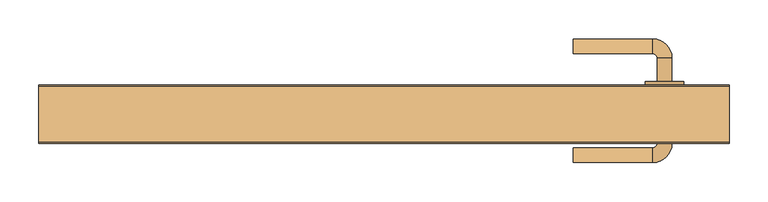
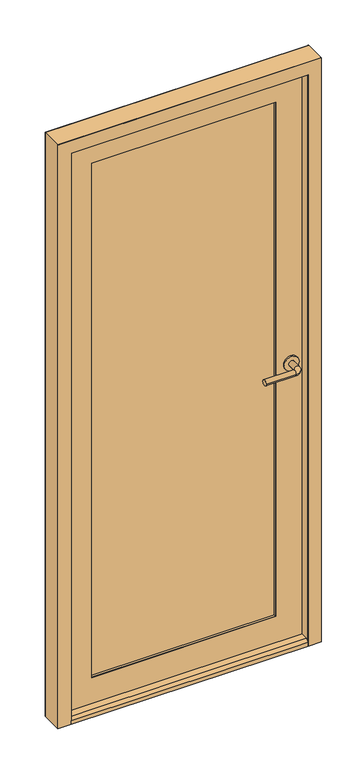
"""IFC4 building model written with IfcOpenShell, lengths in millimetres: door geometry."""

from ifc_helpers import new_model, si_unit, point, frame, frame_2d, origin, place, context, project, spatial, polyline, circle_curve, ellipse_curve, trimmed, segment, composite_curve, outline, extrude, faceted_brep, source, transform, mapped, element, save
from ifc_brep_helpers import plane_surface, cylinder_surface, revolved_surface, advanced_brep


def door_b780134c(model_context):
    return source(origin(), model_context, "Body", "SolidModel", [
        faceted_brep([(410.0, 75.0, 12.0), (410.0, 35.0, 12.0), (398.0, 35.0, 12.0), (398.0, 0.0, 12.0), (-398.0, 0.0, 12.0), (-398.0, 35.0, 12.0), (-410.0, 35.0, 12.0), (-410.0, 75.0, 12.0), (398.0, 0.0, 26.0), (-398.0, 0.0, 26.0), (398.0, 10.0, 34.0), (-398.0, 10.0, 34.0), (398.0, 35.0, 34.0), (-398.0, 35.0, 34.0), (398.0, 35.0, 26.0), (-398.0, 35.0, 26.0), (410.0, 35.0, 26.0), (410.0, 75.0, 26.0), (-410.0, 75.0, 26.0), (-410.0, 35.0, 26.0)], [[[0, 1, 2, 3, 4, 5, 6, 7]], [[3, 8, 9, 4]], [[8, 10, 11, 9]], [[10, 12, 13, 11]], [[12, 14, 15, 13]], [[16, 17, 18, 19, 15, 14]], [[17, 0, 7, 18]], [[16, 1, 0, 17]], [[1, 16, 14, 2]], [[2, 14, 12, 10, 8, 3]], [[15, 5, 4, 9, 11, 13]], [[5, 15, 19, 6]], [[6, 19, 18, 7]]]),
        advanced_brep(
        [(369.6211583, 75.0, 1012.0), (350.6211583, 75.0, 1012.0), (369.6211583, 110.0, 1012.0), (350.6211583, 110.0, 1012.0), (345.1211583, 115.5, 1012.0), (345.1211583, 134.5, 1012.0), (243.1211583, 134.5, 1012.0), (243.1211583, 115.5, 1012.0)],
        [
            (0, 1, circle_curve(frame((360.1211583, 75.0, 1012.0), z_axis=(0.0, -1.0, 0.0), x_axis=(-1.0, 0.0, 0.0)), 9.5)),
            (1, 0, circle_curve(frame((360.1211583, 75.0, 1012.0), z_axis=(0.0, -1.0, 0.0), x_axis=(-1.0, 0.0, 0.0)), 9.5)),
            (0, 2),
            (2, 3, circle_curve(frame((360.1211583, 110.0, 1012.0), z_axis=(0.0, -1.0, 0.0), x_axis=(-1.0, 0.0, 0.0)), 9.5)),
            (3, 1),
            (3, 2, circle_curve(frame((360.1211583, 110.0, 1012.0), z_axis=(0.0, -1.0, 0.0), x_axis=(-1.0, 0.0, 0.0)), 9.5)),
            (4, 3, circle_curve(frame((345.1211583, 110.0, 1012.0), z_axis=(0.0, 0.0, -1.0), x_axis=(1.0, 0.0, 0.0)), 5.5)),
            (2, 5, circle_curve(frame((345.1211583, 110.0, 1012.0), z_axis=(0.0, 0.0, 1.0), x_axis=(1.0, 0.0, 0.0)), 24.5)),
            (5, 4, circle_curve(frame((345.1211583, 125.0, 1012.0), z_axis=(1.0, 0.0, 0.0), x_axis=(0.0, -1.0, 0.0)), 9.5)),
            (4, 5, circle_curve(frame((345.1211583, 125.0, 1012.0), z_axis=(1.0, 0.0, 0.0), x_axis=(0.0, -1.0, 0.0)), 9.5)),
            (6, 7, circle_curve(frame((243.1211583, 125.0, 1012.0), z_axis=(-1.0, 0.0, 0.0), x_axis=(0.0, -1.0, 0.0)), 9.5)),
            (7, 6, circle_curve(frame((243.1211583, 125.0, 1012.0), z_axis=(-1.0, 0.0, 0.0), x_axis=(0.0, -1.0, 0.0)), 9.5)),
            (5, 6),
            (7, 4),
        ],
        [
            plane_surface(frame((360.1211583, 75.0, 12.0), z_axis=(0.0, -1.0, 0.0), x_axis=(0.0, 0.0, -1.0))),
            cylinder_surface(frame((360.1211583, 75.0, 1012.0), z_axis=(0.0, -1.0, 0.0), x_axis=(-1.0, 0.0, 0.0)), 9.5),
            revolved_surface(trimmed(ellipse_curve(frame((360.1211583, 110.0, 1012.0), z_axis=(0.0, -1.0, 0.0), x_axis=(-1.0, 0.0, 0.0)), 9.5, 9.5), [point((369.6211583, 110.0, 1012.0))], [point((350.6211583, 110.0, 1012.0))], True, "CARTESIAN"), (345.1211583, 110.0, 12.0), (0.0, 0.0, 1.0)),
            revolved_surface(trimmed(ellipse_curve(frame((360.1211583, 110.0, 1012.0), z_axis=(0.0, -1.0, 0.0), x_axis=(-1.0, 0.0, 0.0)), 9.5, 9.5), [point((350.6211583, 110.0, 1012.0))], [point((369.6211583, 110.0, 1012.0))], True, "CARTESIAN"), (345.1211583, 110.0, 12.0), (0.0, 0.0, 1.0)),
            plane_surface(frame((243.1211583, 125.0, 12.0), z_axis=(-1.0, 0.0, 0.0), x_axis=(0.0, 0.0, -1.0))),
            cylinder_surface(frame((345.1211583, 125.0, 1012.0), z_axis=(1.0, 0.0, 0.0), x_axis=(0.0, -1.0, 0.0)), 9.5),
        ],
        [
            (0, [[1, 2]]),
            (1, [[-1, 3, 4, 5]]),
            (1, [[-2, -5, 6, -3]]),
            (2, [[7, -4, 8, 9]]),
            (3, [[-8, -6, -7, 10]]),
            (4, [[11, 12]]),
            (5, [[-9, 13, -12, 14]]),
            (5, [[-10, -14, -11, -13]]),
        ],
    ),
        extrude(outline(composite_curve([segment(trimmed(circle_curve(frame_2d((1012.0, 360.1211583)), 25.0), [point((1012.0, 385.1211583))], [point((1012.0, 335.1211583))], False, "CARTESIAN"), True, "CONTINUOUS"), segment(trimmed(circle_curve(frame_2d((1012.0, 360.1211583)), 25.0), [point((1012.0, 335.1211583))], [point((1012.0, 385.1211583))], False, "CARTESIAN"), True, "CONTINUOUS")], self_intersect=False), holes=[composite_curve([segment(trimmed(circle_curve(frame_2d((1012.0, 360.1211583)), 9.5), [point((1012.0, 369.6211583))], [point((1012.0, 350.6211583))], True, "CARTESIAN"), True, "CONTINUOUS"), segment(trimmed(circle_curve(frame_2d((1012.0, 360.1211583)), 9.5), [point((1012.0, 350.6211583))], [point((1012.0, 369.6211583))], True, "CARTESIAN"), True, "CONTINUOUS")], self_intersect=False)]), frame((0.0, 75.0, 0.0), z_axis=(0.0, 1.0, 0.0), x_axis=(0.0, 0.0, 1.0)), (0.0, 0.0, 1.0), 5.0),
        advanced_brep(
        [(369.6211583, 35.0, 1012.0), (350.6211583, 35.0, 1012.0), (350.6211583, 0.0, 1012.0), (369.6211583, 0.0, 1012.0), (345.1211583, -5.5, 1012.0), (345.1211583, -24.5, 1012.0), (243.1211583, -24.5, 1012.0), (243.1211583, -5.5, 1012.0)],
        [
            (0, 1, circle_curve(frame((360.1211583, 35.0, 1012.0), z_axis=(0.0, 1.0, 0.0), x_axis=(-1.0, 0.0, 0.0)), 9.5)),
            (1, 0, circle_curve(frame((360.1211583, 35.0, 1012.0), z_axis=(0.0, 1.0, 0.0), x_axis=(-1.0, 0.0, 0.0)), 9.5)),
            (1, 2),
            (2, 3, circle_curve(frame((360.1211583, 0.0, 1012.0), z_axis=(0.0, 1.0, 0.0), x_axis=(-1.0, 0.0, 0.0)), 9.5)),
            (3, 0),
            (3, 2, circle_curve(frame((360.1211583, 0.0, 1012.0), z_axis=(0.0, 1.0, 0.0), x_axis=(-1.0, 0.0, 0.0)), 9.5)),
            (4, 5, circle_curve(frame((345.1211583, -15.0, 1012.0), z_axis=(1.0, 0.0, 0.0), x_axis=(0.0, 1.0, 0.0)), 9.5)),
            (5, 3, circle_curve(frame((345.1211583, 0.0, 1012.0), z_axis=(0.0, 0.0, 1.0), x_axis=(1.0, 0.0, 0.0)), 24.5)),
            (2, 4, circle_curve(frame((345.1211583, 0.0, 1012.0), z_axis=(0.0, 0.0, -1.0), x_axis=(1.0, 0.0, 0.0)), 5.5)),
            (5, 4, circle_curve(frame((345.1211583, -15.0, 1012.0), z_axis=(1.0, 0.0, 0.0), x_axis=(0.0, 1.0, 0.0)), 9.5)),
            (6, 7, circle_curve(frame((243.1211583, -15.0, 1012.0), z_axis=(-1.0, 0.0, 0.0), x_axis=(0.0, 1.0, 0.0)), 9.5)),
            (7, 6, circle_curve(frame((243.1211583, -15.0, 1012.0), z_axis=(-1.0, 0.0, 0.0), x_axis=(0.0, 1.0, 0.0)), 9.5)),
            (4, 7),
            (6, 5),
        ],
        [
            plane_surface(frame((360.1211583, 35.0, 12.0), z_axis=(0.0, 1.0, 0.0), x_axis=(0.0, 0.0, -1.0))),
            cylinder_surface(frame((360.1211583, 35.0, 1012.0), z_axis=(0.0, 1.0, 0.0), x_axis=(-1.0, 0.0, 0.0)), 9.5),
            revolved_surface(trimmed(ellipse_curve(frame((360.1211583, 0.0, 1012.0), z_axis=(0.0, -1.0, 0.0), x_axis=(-1.0, 0.0, 0.0)), 9.5, 9.5), [point((369.6211583, 0.0, 1012.0))], [point((350.6211583, 0.0, 1012.0))], True, "CARTESIAN"), (345.1211583, 0.0, 12.0), (0.0, 0.0, 1.0)),
            revolved_surface(trimmed(ellipse_curve(frame((360.1211583, 0.0, 1012.0), z_axis=(0.0, -1.0, 0.0), x_axis=(-1.0, 0.0, 0.0)), 9.5, 9.5), [point((350.6211583, 0.0, 1012.0))], [point((369.6211583, 0.0, 1012.0))], True, "CARTESIAN"), (345.1211583, 0.0, 12.0), (0.0, 0.0, 1.0)),
            plane_surface(frame((243.1211583, -15.0, 12.0), z_axis=(-1.0, 0.0, 0.0), x_axis=(0.0, 0.0, -1.0))),
            cylinder_surface(frame((345.1211583, -15.0, 1012.0), z_axis=(1.0, 0.0, 0.0), x_axis=(0.0, 1.0, 0.0)), 9.5),
        ],
        [
            (0, [[1, 2]]),
            (1, [[3, 4, 5, -2]]),
            (1, [[-5, 6, -3, -1]]),
            (2, [[7, 8, -4, 9]]),
            (3, [[10, -9, -6, -8]]),
            (4, [[11, 12]]),
            (5, [[13, -11, 14, -7]]),
            (5, [[-14, -12, -13, -10]]),
        ],
    ),
        extrude(outline(composite_curve([segment(trimmed(circle_curve(frame_2d((1012.0, 360.1211583)), 25.0), [point((1012.0, 385.1211583))], [point((1012.0, 335.1211583))], False, "CARTESIAN"), True, "CONTINUOUS"), segment(trimmed(circle_curve(frame_2d((1012.0, 360.1211583)), 25.0), [point((1012.0, 335.1211583))], [point((1012.0, 385.1211583))], False, "CARTESIAN"), True, "CONTINUOUS")], self_intersect=False), holes=[composite_curve([segment(trimmed(circle_curve(frame_2d((1012.0, 360.1211583)), 9.5), [point((1012.0, 369.6211583))], [point((1012.0, 350.6211583))], True, "CARTESIAN"), True, "CONTINUOUS"), segment(trimmed(circle_curve(frame_2d((1012.0, 360.1211583)), 9.5), [point((1012.0, 350.6211583))], [point((1012.0, 369.6211583))], True, "CARTESIAN"), True, "CONTINUOUS")], self_intersect=False)]), frame((0.0, 30.0, 0.0), z_axis=(0.0, 1.0, 0.0), x_axis=(0.0, 0.0, 1.0)), (0.0, 0.0, 1.0), 5.0),
        extrude(outline(polyline([(2055.0, -410.0), (27.0, -410.0), (27.0, 410.0), (2055.0, 410.0), (2055.0, -410.0)]), holes=[polyline([(1955.0, -310.0), (1955.0, 310.0), (127.0, 310.0), (127.0, -310.0), (1955.0, -310.0)])]), frame((0.0, 74.0, 0.0), z_axis=(0.0, 1.0, 0.0), x_axis=(0.0, 0.0, 1.0)), (0.0, 0.0, 1.0), 1.0),
        extrude(outline(polyline([(2055.0, 410.0), (2055.0, -410.0), (27.0, -410.0), (27.0, 410.0), (2055.0, 410.0)]), holes=[polyline([(1955.0, -310.0), (1955.0, 310.0), (127.0, 310.0), (127.0, -310.0), (1955.0, -310.0)])]), frame((0.0, 35.0, 0.0), z_axis=(0.0, 1.0, 0.0), x_axis=(0.0, 0.0, 1.0)), (0.0, 0.0, 1.0), 1.0),
        extrude(outline(polyline([(-310.0, 65.0), (310.0, 65.0), (310.0, 45.0), (-310.0, 45.0), (-310.0, 65.0)])), frame((0.0, 0.0, 127.0), z_axis=(0.0, 0.0, 1.0), x_axis=(1.0, 0.0, 0.0)), (0.0, 0.0, 1.0), 1828.0),
        extrude(outline(polyline([(2055.0, 410.0), (2055.0, -410.0), (27.0, -410.0), (27.0, 410.0), (2055.0, 410.0)]), holes=[polyline([(127.0, 310.0), (127.0, -310.0), (1955.0, -310.0), (1955.0, 310.0), (127.0, 310.0)])]), frame((0.0, 36.0, 0.0), z_axis=(0.0, 1.0, 0.0), x_axis=(0.0, 0.0, 1.0)), (0.0, 0.0, 1.0), 38.0),
        extrude(outline(polyline([(2088.0, 443.0), (2088.0, -443.0), (12.0, -443.0), (12.0, -410.0), (2055.0, -410.0), (2055.0, 410.0), (12.0, 410.0), (12.0, 443.0), (2088.0, 443.0)])), frame((0.0, 74.0, 0.0), z_axis=(0.0, 1.0, 0.0), x_axis=(0.0, 0.0, 1.0)), (0.0, 0.0, 1.0), 1.0),
        extrude(outline(polyline([(2088.0, -443.0), (12.0, -443.0), (12.0, -398.0), (2043.0, -398.0), (2043.0, 398.0), (12.0, 398.0), (12.0, 443.0), (2088.0, 443.0), (2088.0, -443.0)])), frame((0.0, 0.0, 0.0), z_axis=(0.0, 1.0, 0.0), x_axis=(0.0, 0.0, 1.0)), (0.0, 0.0, 1.0), 1.0),
        faceted_brep([(410.0, 74.0, 12.0), (443.0, 74.0, 12.0), (443.0, 1.0, 12.0), (398.0, 1.0, 12.0), (398.0, 35.0, 12.0), (410.0, 35.0, 12.0), (410.0, 74.0, 2055.0), (-410.0, 74.0, 2055.0), (-410.0, 74.0, 12.0), (-443.0, 74.0, 12.0), (-443.0, 74.0, 2088.0), (443.0, 74.0, 2088.0), (443.0, 1.0, 2088.0), (-443.0, 1.0, 2088.0), (-443.0, 1.0, 12.0), (-398.0, 1.0, 12.0), (-398.0, 1.0, 2043.0), (398.0, 1.0, 2043.0), (398.0, 35.0, 2043.0), (-398.0, 35.0, 2043.0), (-398.0, 35.0, 12.0), (-410.0, 35.0, 12.0), (-410.0, 35.0, 2055.0), (410.0, 35.0, 2055.0)], [[[0, 1, 2, 3, 4, 5]], [[1, 0, 6, 7, 8, 9, 10, 11]], [[2, 1, 11, 12]], [[3, 2, 12, 13, 14, 15, 16, 17]], [[4, 3, 17, 18]], [[5, 4, 18, 19, 20, 21, 22, 23]], [[0, 5, 23, 6]], [[7, 22, 21, 8]], [[8, 21, 20, 15, 14, 9]], [[13, 10, 9, 14]], [[19, 16, 15, 20]], [[12, 11, 10, 13]], [[18, 17, 16, 19]], [[6, 23, 22, 7]]]),
    ])


if __name__ == "__main__":
    model = new_model("IFC4")
    model_context = context("Model", 3, world=origin())
    ifc_project = project(units=[si_unit("LENGTHUNIT", "METRE", prefix="MILLI")], contexts=[model_context])
    site = spatial("IfcSite", under=ifc_project)
    building = spatial("IfcBuilding", under=site)
    placement = place(None, origin())
    door_shape = door_b780134c(model_context)
    element("IfcDoor", 1, at=placement, inside=building, context=model_context, shape_type="MappedRepresentation", body=[
        mapped(door_shape, transform((0.0, 0.0, 0.0), x_axis=(1.0, 0.0, 0.0), y_axis=(0.0, 1.0, 0.0), z_axis=(0.0, 0.0, 1.0))),
    ])
    save(model, "model.ifc")
